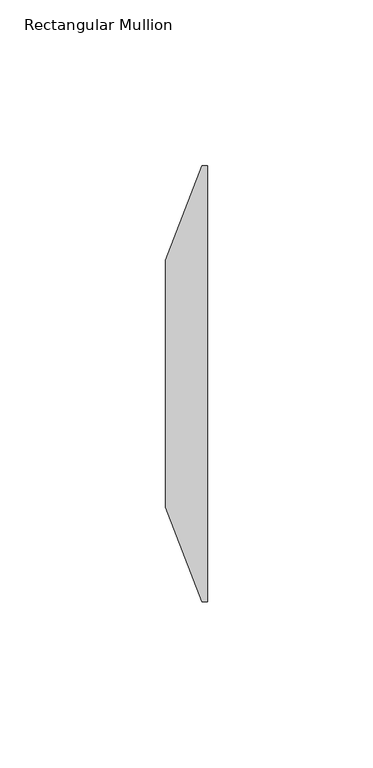
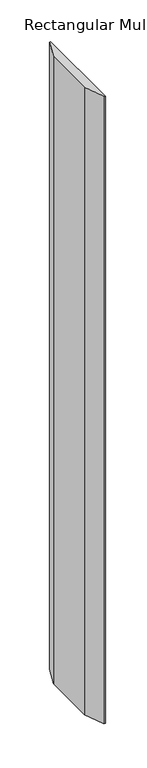
"""IFC4 building model written with IfcOpenShell, lengths in millimetres: member geometry, Rectangular Mullion."""

from ifc_helpers import new_model, si_unit, frame, origin, place, context, project, spatial, polyline, outline, extrude, source, transform, mapped, element, save


def rectangular_mullion_90301227(model_context):
    return source(origin(), model_context, "Body", "SweptSolid", [
        extrude(outline(polyline([(0.0, -58.7375), (-1.5875, -58.7375), (-12.7, -30.1625), (-12.7, 44.45), (-1.5875, 73.025), (0.0, 73.025), (0.0, -58.7375)])), frame((0.0, 0.0, -919.6916667), z_axis=(0.0, 0.0, 1.0), x_axis=(1.0, 0.0, 0.0)), (0.0, 0.0, 1.0), 919.6916667),
    ])


if __name__ == "__main__":
    model = new_model("IFC4")
    model_context = context("Model", 3, world=origin())
    ifc_project = project(units=[si_unit("LENGTHUNIT", "METRE", prefix="MILLI")], contexts=[model_context])
    site = spatial("IfcSite", under=ifc_project)
    building = spatial("IfcBuilding", under=site)
    placement = place(None, origin())
    rectangular_mullion_shape = rectangular_mullion_90301227(model_context)
    element("IfcMember", 1, ObjectType="Rectangular Mullion", at=placement, inside=building, context=model_context, shape_type="MappedRepresentation", body=[
        mapped(rectangular_mullion_shape, transform((0.0, 0.0, 0.0), x_axis=(1.0, 0.0, 0.0), y_axis=(0.0, 1.0, 0.0), z_axis=(0.0, 0.0, 1.0))),
    ])
    save(model, "model.ifc")
